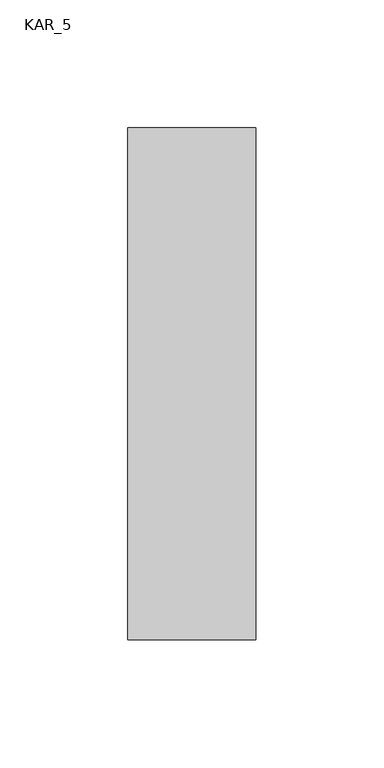
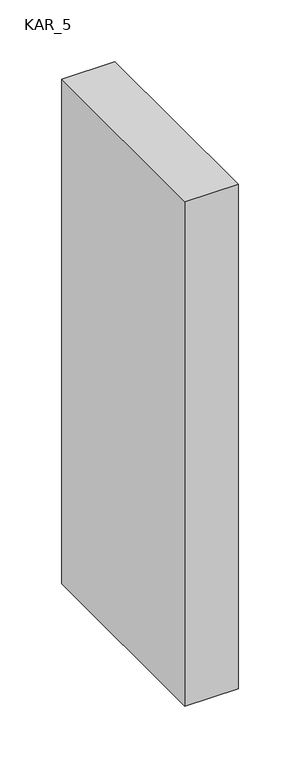
"""IFC4 building model written with IfcOpenShell, lengths in millimetres: proxy geometry, KAR_5."""

import ifcopenshell
import ifcopenshell.guid

model = None  # the IFC model being written
_history = None  # IfcOwnerHistory: only IFC2X3 demands one
_inside = {}  # id of a spatial element -> (the spatial element, [elements in it])
_under = {}  # id of a project, library or spatial element -> (it, [spatial elements below it])
_declared = {}  # id of a project -> (the project, [libraries it declares])
_typed = {}  # id of a type object -> (the type object, [elements of that type])
_made_of = {}  # id of a material, layer set ... -> (it, [elements and type objects made of it])


def new_model(schema):
    """Start an empty IFC model of exactly this schema.

    Asked for "IFC4X3", IfcOpenShell would pick the latest addendum, in which some entities
    have other attributes; the version numbers below select the first issue.
    IFC2X3 requires an IfcOwnerHistory on every rooted entity: one is made here for all.
    """
    global model, _history
    if schema == "IFC4X3":
        model = ifcopenshell.file(schema_version=(4, 3, 0, 0))
    else:
        model = ifcopenshell.file(schema=schema)
    _inside.clear()
    _under.clear()
    _declared.clear()
    _typed.clear()
    _made_of.clear()
    _history = None
    if model.schema == "IFC2X3":
        org = make("IfcOrganization", Name="unknown")
        user = make(
            "IfcPersonAndOrganization",
            ThePerson=make("IfcPerson", FamilyName="unknown"),
            TheOrganization=org,
        )
        app = make(
            "IfcApplication",
            ApplicationDeveloper=org,
            Version="unknown",
            ApplicationFullName="unknown",
            ApplicationIdentifier="unknown",
        )
        _history = make(
            "IfcOwnerHistory",
            OwningUser=user,
            OwningApplication=app,
            ChangeAction="ADDED",
            CreationDate=0,
        )
    return model


def make(cls, **values):
    """One entity of the class cls with the attributes given. An attribute that is None is left unset."""
    return model.create_entity(
        cls, **{name: value for name, value in values.items() if value is not None}
    )


def rooted(cls, **values):
    """An entity with a GlobalId (a new one), such as an element, a storey or a relation."""
    return make(cls, GlobalId=ifcopenshell.guid.new(), OwnerHistory=_history, **values)


def si_unit(unit_type, name, prefix=None):
    """IfcSIUnit, for example si_unit("LENGTHUNIT", "METRE", prefix="MILLI")."""
    return make("IfcSIUnit", UnitType=unit_type, Prefix=prefix, Name=name)


def assignment(units):
    """IfcUnitAssignment: the units of a project."""
    return None if units is None else make("IfcUnitAssignment", Units=units)


def point(xyz):
    """IfcCartesianPoint."""
    return None if xyz is None else make("IfcCartesianPoint", Coordinates=xyz)


def direction(xyz):
    """IfcDirection."""
    return None if xyz is None else make("IfcDirection", DirectionRatios=xyz)


def frame(location, z_axis=None, x_axis=None):
    """IfcAxis2Placement3D, a coordinate frame: its origin and axes. An axis left out is left unset."""
    return make(
        "IfcAxis2Placement3D",
        Location=point(location),
        Axis=direction(z_axis),
        RefDirection=direction(x_axis),
    )


def origin():
    """The frame at (0, 0, 0) with its axes left unset."""
    return frame((0.0, 0.0, 0.0))


def place(relative_to, where):
    """IfcLocalPlacement: puts the frame where relative to a parent placement (None: the world)."""
    return make(
        "IfcLocalPlacement", PlacementRelTo=relative_to, RelativePlacement=where
    )


def context(
    kind, dimensions, precision=None, world=None, true_north=None, identifier=None
):
    """IfcGeometricRepresentationContext, for example the 3D "Model" context."""
    return make(
        "IfcGeometricRepresentationContext",
        ContextIdentifier=identifier,
        ContextType=kind,
        CoordinateSpaceDimension=dimensions,
        Precision=precision,
        WorldCoordinateSystem=world,
        TrueNorth=true_north,
    )


def project(units=None, contexts=None):
    """IfcProject with its units and contexts."""
    return rooted(
        "IfcProject",
        Name="project",
        RepresentationContexts=contexts,
        UnitsInContext=assignment(units),
    )


def spatial(cls, under=None, at=None, **own):
    """A site, building, storey or space (cls), placed at a placement, below another one or the project."""
    s = rooted(cls, ObjectPlacement=at, **own)
    if under is not None:
        _under.setdefault(under.id(), (under, []))[1].append(s)
    return s


def polyline(points):
    """IfcPolyline through the points."""
    return make("IfcPolyline", Points=[point(p) for p in points])


def outline(outer, holes=None, kind="AREA"):
    """IfcArbitraryClosedProfileDef: a profile drawn as a closed curve; with holes, ...WithVoids."""
    if holes is None:
        return make("IfcArbitraryClosedProfileDef", ProfileType=kind, OuterCurve=outer)
    return make(
        "IfcArbitraryProfileDefWithVoids",
        ProfileType=kind,
        OuterCurve=outer,
        InnerCurves=holes,
    )


def extrude(swept, where, along, depth):
    """IfcExtrudedAreaSolid: the profile swept, set in the frame where, extruded along a direction by depth."""
    return make(
        "IfcExtrudedAreaSolid",
        SweptArea=swept,
        Position=where,
        ExtrudedDirection=direction(along),
        Depth=depth,
    )


def shape(context_of_items, identifier, shape_type, items):
    """IfcShapeRepresentation: the items that make up one representation, for example the "Body"."""
    return make(
        "IfcShapeRepresentation",
        ContextOfItems=context_of_items,
        RepresentationIdentifier=identifier,
        RepresentationType=shape_type,
        Items=items,
    )


def source(mapping_origin, context_of_items, identifier, shape_type, items):
    """IfcRepresentationMap: a shape defined once, which mapped items show again and again."""
    return make(
        "IfcRepresentationMap",
        MappingOrigin=mapping_origin,
        MappedRepresentation=shape(context_of_items, identifier, shape_type, items),
    )


def transform(
    local_origin,
    x_axis=None,
    y_axis=None,
    z_axis=None,
    scale=None,
    scale2=None,
    scale3=None,
    uniform=True,
):
    """IfcCartesianTransformationOperator3D, or its non-uniform kind. x_axis, y_axis, z_axis: its Axis1, 2, 3."""
    if uniform:
        return make(
            "IfcCartesianTransformationOperator3D",
            Axis1=direction(x_axis),
            Axis2=direction(y_axis),
            LocalOrigin=point(local_origin),
            Scale=scale,
            Axis3=direction(z_axis),
        )
    return make(
        "IfcCartesianTransformationOperator3DnonUniform",
        Axis1=direction(x_axis),
        Axis2=direction(y_axis),
        LocalOrigin=point(local_origin),
        Scale=scale,
        Axis3=direction(z_axis),
        Scale2=scale2,
        Scale3=scale3,
    )


def mapped(mapping_source, mapping_target):
    """IfcMappedItem: shows the shape of a source again, moved by a transform."""
    return make(
        "IfcMappedItem", MappingSource=mapping_source, MappingTarget=mapping_target
    )


def made_of(thing, what):
    """Note that an element or type object is made of a material, layer set ...; save() writes the relation."""
    if what is not None:
        _made_of.setdefault(what.id(), (what, []))[1].append(thing)
    return thing


def element(
    cls,
    number,
    at=None,
    inside=None,
    cuts=None,
    type_object=None,
    material=None,
    context=None,
    identifier="Body",
    shape_type=None,
    held_by="IfcProductDefinitionShape",
    body=None,
    shapes=None,
    **own,
):
    """One element of the class cls, such as IfcWall. Its Tag is "e" and its number.

    at: its placement. inside: the storey or other place that contains it. cuts: it is an
    opening in that element (IfcRelVoidsElement). A single representation is given by context,
    identifier, shape_type and body (its items); several are given by shapes. held_by: the class
    of the entity that holds the representations. save() writes the other relations.
    """
    e = rooted(cls, Tag="e%d" % number, ObjectPlacement=at, **own)
    if body is not None:
        shapes = [shape(context, identifier, shape_type, body)]
    if shapes is not None:
        e.Representation = make(held_by, Representations=shapes)
    if inside is not None:
        _inside.setdefault(inside.id(), (inside, []))[1].append(e)
    if cuts is not None:
        rooted(
            "IfcRelVoidsElement", RelatingBuildingElement=cuts, RelatedOpeningElement=e
        )
    if type_object is not None:
        _typed.setdefault(type_object.id(), (type_object, []))[1].append(e)
    return made_of(e, material)


def aggregate(whole, parts):
    """IfcRelAggregates: a whole, such as a stair, and the parts it consists of."""
    return rooted("IfcRelAggregates", RelatingObject=whole, RelatedObjects=parts)


def save(model, path):
    """Write the relations noted so far, then the file.

    IfcRelAggregates (storeys below a building ...), IfcRelContainedInSpatialStructure (elements
    in a storey), IfcRelDefinesByType, IfcRelAssociatesMaterial and IfcRelDeclares: one each for
    every whole, place, type object, material and project.
    """
    for whole, parts in _under.values():
        aggregate(whole, parts)
    for where, things in _inside.values():
        rooted(
            "IfcRelContainedInSpatialStructure",
            RelatedElements=things,
            RelatingStructure=where,
        )
    for kind, things in _typed.values():
        rooted("IfcRelDefinesByType", RelatedObjects=things, RelatingType=kind)
    for what, things in _made_of.values():
        rooted("IfcRelAssociatesMaterial", RelatedObjects=things, RelatingMaterial=what)
    for by, libraries in _declared.values():
        rooted("IfcRelDeclares", RelatingContext=by, RelatedDefinitions=libraries)
    model.write(path)


def kar_5_8a386227(model_context):
    return source(origin(), model_context, "Body", "SweptSolid", [
        extrude(outline(polyline([(50.0, 200.0), (50.0, 0.0), (0.0, 0.0), (0.0, 200.0), (50.0, 200.0)])), frame((0.0, 0.0, 1900.0), z_axis=(0.0, 0.0, 1.0), x_axis=(1.0, 0.0, 0.0)), (0.0, 0.0, 1.0), 500.0),
    ])


if __name__ == "__main__":
    model = new_model("IFC4")
    model_context = context("Model", 3, world=origin())
    ifc_project = project(units=[si_unit("LENGTHUNIT", "METRE", prefix="MILLI")], contexts=[model_context])
    site = spatial("IfcSite", under=ifc_project)
    building = spatial("IfcBuilding", under=site)
    placement = place(None, origin())
    kar_5_shape = kar_5_8a386227(model_context)
    element("IfcBuildingElementProxy", 1, Name="KAR_5", ObjectType="KAR_5", at=placement, inside=building, context=model_context, shape_type="MappedRepresentation", body=[
        mapped(kar_5_shape, transform((0.0, 0.0, 0.0), x_axis=(1.0, 0.0, 0.0), y_axis=(0.0, 1.0, 0.0), z_axis=(0.0, 0.0, 1.0))),
    ])
    save(model, "model.ifc")
